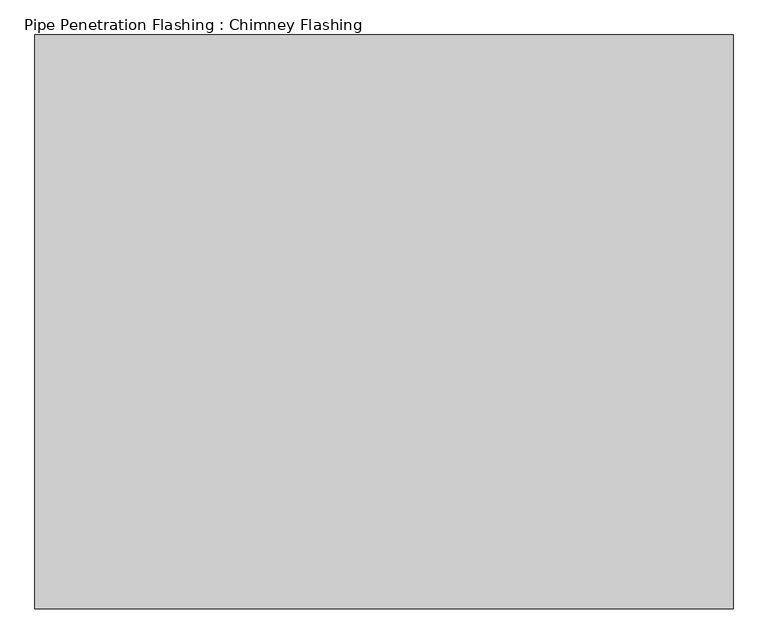
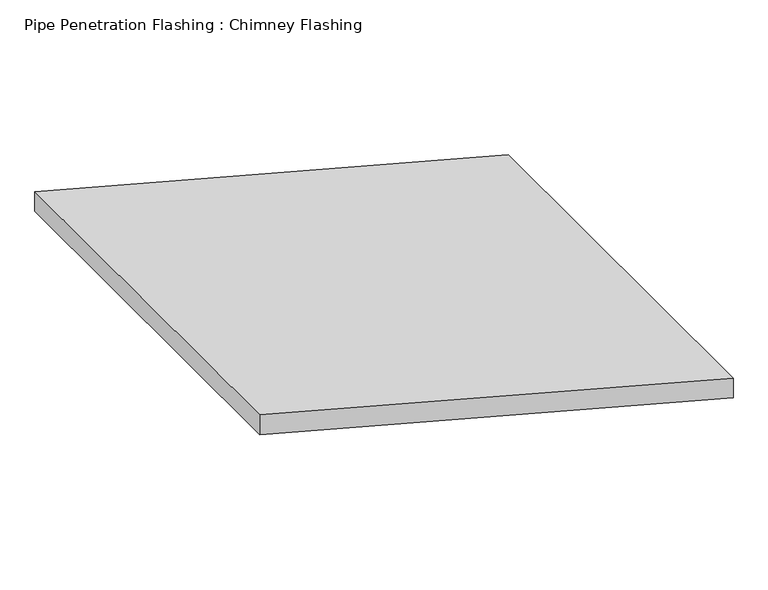
"""IFC4 building model written with IfcOpenShell, lengths in millimetres: proxy geometry, Pipe Penetration Flashing : Chimney Flashing."""

from ifc_helpers import new_model, si_unit, frame, origin, place, context, project, spatial, polyline, outline, extrude, source, transform, mapped, element, save


def pipe_penetration_flashing_chimney_flashing_1383d911(model_context):
    return source(origin(), model_context, "Body", "SweptSolid", [
        extrude(outline(polyline([(5918.6213183, 4682.178133), (5965.2087464, 4682.178133), (6247.9654108, 3626.9158954), (6201.3779827, 3626.9158954), (5918.6213183, 4682.178133)])), frame((0.0, 3478.1233654, 0.0), z_axis=(0.0, 1.0, 0.0), x_axis=(0.0, 0.0, 1.0)), (0.0, 0.0, 1.0), 867.47595),
    ])


if __name__ == "__main__":
    model = new_model("IFC4")
    model_context = context("Model", 3, world=origin())
    ifc_project = project(units=[si_unit("LENGTHUNIT", "METRE", prefix="MILLI")], contexts=[model_context])
    site = spatial("IfcSite", under=ifc_project)
    building = spatial("IfcBuilding", under=site)
    placement = place(None, origin())
    pipe_penetration_flashing_chimney_flashing_shape = pipe_penetration_flashing_chimney_flashing_1383d911(model_context)
    element("IfcBuildingElementProxy", 1, Name="Pipe Penetration Flashing : Chimney Flashing", ObjectType="Pipe Penetration Flashing : Chimney Flashing", at=placement, inside=building, context=model_context, shape_type="MappedRepresentation", body=[
        mapped(pipe_penetration_flashing_chimney_flashing_shape, transform((0.0, 0.0, 0.0), x_axis=(1.0, 0.0, 0.0), y_axis=(0.0, 1.0, 0.0), z_axis=(0.0, 0.0, 1.0))),
    ])
    save(model, "model.ifc")
